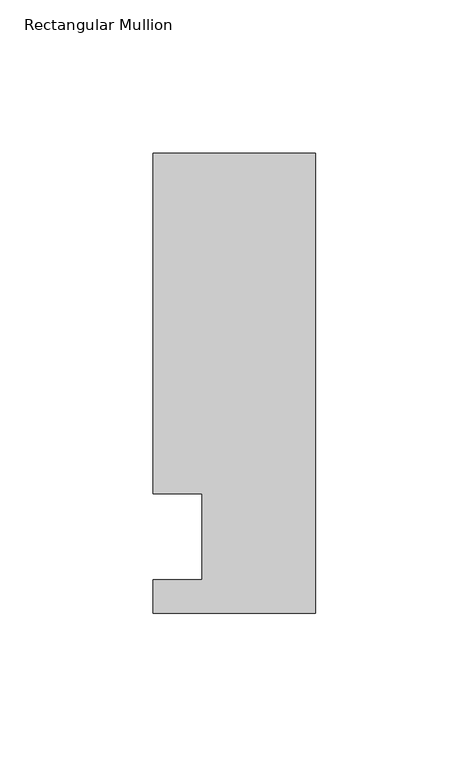
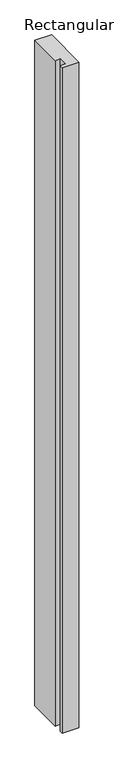
"""IFC4 building model written with IfcOpenShell, lengths in millimetres: member geometry, Rectangular Mullion."""

from ifc_helpers import new_model, si_unit, frame, origin, place, context, project, spatial, polyline, outline, extrude, source, transform, mapped, element, save


def rectangular_mullion_002084b7(model_context):
    return source(origin(), model_context, "Body", "SweptSolid", [
        extrude(outline(polyline([(-37.0, 14.0), (-53.0, 14.0), (-53.0, 125.0), (0.0, 125.0), (0.0, -25.0), (-53.0, -25.0), (-53.0, -14.0), (-37.0, -14.0), (-37.0, 14.0)])), frame((0.0, 0.0, -2232.0199255), z_axis=(0.0, 0.0, 1.0), x_axis=(1.0, 0.0, 0.0)), (0.0, 0.0, 1.0), 2232.0199255),
    ])


if __name__ == "__main__":
    model = new_model("IFC4")
    model_context = context("Model", 3, world=origin())
    ifc_project = project(units=[si_unit("LENGTHUNIT", "METRE", prefix="MILLI")], contexts=[model_context])
    site = spatial("IfcSite", under=ifc_project)
    building = spatial("IfcBuilding", under=site)
    placement = place(None, origin())
    rectangular_mullion_shape = rectangular_mullion_002084b7(model_context)
    element("IfcMember", 1, ObjectType="Rectangular Mullion", at=placement, inside=building, context=model_context, shape_type="MappedRepresentation", body=[
        mapped(rectangular_mullion_shape, transform((0.0, 0.0, 0.0), x_axis=(1.0, 0.0, 0.0), y_axis=(0.0, 1.0, 0.0), z_axis=(0.0, 0.0, 1.0))),
    ])
    save(model, "model.ifc")
